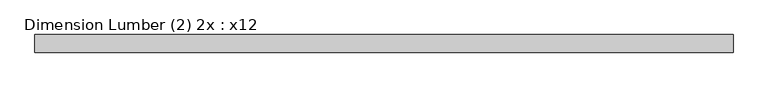
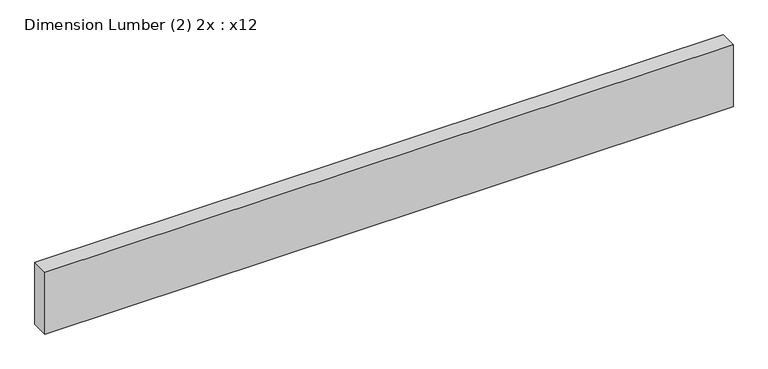
"""IFC4 building model written with IfcOpenShell, lengths in millimetres: beam geometry, Dimension Lumber (2) 2x : x12."""

import ifcopenshell
import ifcopenshell.guid

model = None  # the IFC model being written
_history = None  # IfcOwnerHistory: only IFC2X3 demands one
_inside = {}  # id of a spatial element -> (the spatial element, [elements in it])
_under = {}  # id of a project, library or spatial element -> (it, [spatial elements below it])
_declared = {}  # id of a project -> (the project, [libraries it declares])
_typed = {}  # id of a type object -> (the type object, [elements of that type])
_made_of = {}  # id of a material, layer set ... -> (it, [elements and type objects made of it])


def new_model(schema):
    """Start an empty IFC model of exactly this schema.

    Asked for "IFC4X3", IfcOpenShell would pick the latest addendum, in which some entities
    have other attributes; the version numbers below select the first issue.
    IFC2X3 requires an IfcOwnerHistory on every rooted entity: one is made here for all.
    """
    global model, _history
    if schema == "IFC4X3":
        model = ifcopenshell.file(schema_version=(4, 3, 0, 0))
    else:
        model = ifcopenshell.file(schema=schema)
    _inside.clear()
    _under.clear()
    _declared.clear()
    _typed.clear()
    _made_of.clear()
    _history = None
    if model.schema == "IFC2X3":
        org = make("IfcOrganization", Name="unknown")
        user = make(
            "IfcPersonAndOrganization",
            ThePerson=make("IfcPerson", FamilyName="unknown"),
            TheOrganization=org,
        )
        app = make(
            "IfcApplication",
            ApplicationDeveloper=org,
            Version="unknown",
            ApplicationFullName="unknown",
            ApplicationIdentifier="unknown",
        )
        _history = make(
            "IfcOwnerHistory",
            OwningUser=user,
            OwningApplication=app,
            ChangeAction="ADDED",
            CreationDate=0,
        )
    return model


def make(cls, **values):
    """One entity of the class cls with the attributes given. An attribute that is None is left unset."""
    return model.create_entity(
        cls, **{name: value for name, value in values.items() if value is not None}
    )


def rooted(cls, **values):
    """An entity with a GlobalId (a new one), such as an element, a storey or a relation."""
    return make(cls, GlobalId=ifcopenshell.guid.new(), OwnerHistory=_history, **values)


def si_unit(unit_type, name, prefix=None):
    """IfcSIUnit, for example si_unit("LENGTHUNIT", "METRE", prefix="MILLI")."""
    return make("IfcSIUnit", UnitType=unit_type, Prefix=prefix, Name=name)


def assignment(units):
    """IfcUnitAssignment: the units of a project."""
    return None if units is None else make("IfcUnitAssignment", Units=units)


def point(xyz):
    """IfcCartesianPoint."""
    return None if xyz is None else make("IfcCartesianPoint", Coordinates=xyz)


def direction(xyz):
    """IfcDirection."""
    return None if xyz is None else make("IfcDirection", DirectionRatios=xyz)


def frame(location, z_axis=None, x_axis=None):
    """IfcAxis2Placement3D, a coordinate frame: its origin and axes. An axis left out is left unset."""
    return make(
        "IfcAxis2Placement3D",
        Location=point(location),
        Axis=direction(z_axis),
        RefDirection=direction(x_axis),
    )


def origin():
    """The frame at (0, 0, 0) with its axes left unset."""
    return frame((0.0, 0.0, 0.0))


def place(relative_to, where):
    """IfcLocalPlacement: puts the frame where relative to a parent placement (None: the world)."""
    return make(
        "IfcLocalPlacement", PlacementRelTo=relative_to, RelativePlacement=where
    )


def context(
    kind, dimensions, precision=None, world=None, true_north=None, identifier=None
):
    """IfcGeometricRepresentationContext, for example the 3D "Model" context."""
    return make(
        "IfcGeometricRepresentationContext",
        ContextIdentifier=identifier,
        ContextType=kind,
        CoordinateSpaceDimension=dimensions,
        Precision=precision,
        WorldCoordinateSystem=world,
        TrueNorth=true_north,
    )


def project(units=None, contexts=None):
    """IfcProject with its units and contexts."""
    return rooted(
        "IfcProject",
        Name="project",
        RepresentationContexts=contexts,
        UnitsInContext=assignment(units),
    )


def spatial(cls, under=None, at=None, **own):
    """A site, building, storey or space (cls), placed at a placement, below another one or the project."""
    s = rooted(cls, ObjectPlacement=at, **own)
    if under is not None:
        _under.setdefault(under.id(), (under, []))[1].append(s)
    return s


def polyline(points):
    """IfcPolyline through the points."""
    return make("IfcPolyline", Points=[point(p) for p in points])


def outline(outer, holes=None, kind="AREA"):
    """IfcArbitraryClosedProfileDef: a profile drawn as a closed curve; with holes, ...WithVoids."""
    if holes is None:
        return make("IfcArbitraryClosedProfileDef", ProfileType=kind, OuterCurve=outer)
    return make(
        "IfcArbitraryProfileDefWithVoids",
        ProfileType=kind,
        OuterCurve=outer,
        InnerCurves=holes,
    )


def extrude(swept, where, along, depth):
    """IfcExtrudedAreaSolid: the profile swept, set in the frame where, extruded along a direction by depth."""
    return make(
        "IfcExtrudedAreaSolid",
        SweptArea=swept,
        Position=where,
        ExtrudedDirection=direction(along),
        Depth=depth,
    )


def shape(context_of_items, identifier, shape_type, items):
    """IfcShapeRepresentation: the items that make up one representation, for example the "Body"."""
    return make(
        "IfcShapeRepresentation",
        ContextOfItems=context_of_items,
        RepresentationIdentifier=identifier,
        RepresentationType=shape_type,
        Items=items,
    )


def source(mapping_origin, context_of_items, identifier, shape_type, items):
    """IfcRepresentationMap: a shape defined once, which mapped items show again and again."""
    return make(
        "IfcRepresentationMap",
        MappingOrigin=mapping_origin,
        MappedRepresentation=shape(context_of_items, identifier, shape_type, items),
    )


def transform(
    local_origin,
    x_axis=None,
    y_axis=None,
    z_axis=None,
    scale=None,
    scale2=None,
    scale3=None,
    uniform=True,
):
    """IfcCartesianTransformationOperator3D, or its non-uniform kind. x_axis, y_axis, z_axis: its Axis1, 2, 3."""
    if uniform:
        return make(
            "IfcCartesianTransformationOperator3D",
            Axis1=direction(x_axis),
            Axis2=direction(y_axis),
            LocalOrigin=point(local_origin),
            Scale=scale,
            Axis3=direction(z_axis),
        )
    return make(
        "IfcCartesianTransformationOperator3DnonUniform",
        Axis1=direction(x_axis),
        Axis2=direction(y_axis),
        LocalOrigin=point(local_origin),
        Scale=scale,
        Axis3=direction(z_axis),
        Scale2=scale2,
        Scale3=scale3,
    )


def mapped(mapping_source, mapping_target):
    """IfcMappedItem: shows the shape of a source again, moved by a transform."""
    return make(
        "IfcMappedItem", MappingSource=mapping_source, MappingTarget=mapping_target
    )


def made_of(thing, what):
    """Note that an element or type object is made of a material, layer set ...; save() writes the relation."""
    if what is not None:
        _made_of.setdefault(what.id(), (what, []))[1].append(thing)
    return thing


def element(
    cls,
    number,
    at=None,
    inside=None,
    cuts=None,
    type_object=None,
    material=None,
    context=None,
    identifier="Body",
    shape_type=None,
    held_by="IfcProductDefinitionShape",
    body=None,
    shapes=None,
    **own,
):
    """One element of the class cls, such as IfcWall. Its Tag is "e" and its number.

    at: its placement. inside: the storey or other place that contains it. cuts: it is an
    opening in that element (IfcRelVoidsElement). A single representation is given by context,
    identifier, shape_type and body (its items); several are given by shapes. held_by: the class
    of the entity that holds the representations. save() writes the other relations.
    """
    e = rooted(cls, Tag="e%d" % number, ObjectPlacement=at, **own)
    if body is not None:
        shapes = [shape(context, identifier, shape_type, body)]
    if shapes is not None:
        e.Representation = make(held_by, Representations=shapes)
    if inside is not None:
        _inside.setdefault(inside.id(), (inside, []))[1].append(e)
    if cuts is not None:
        rooted(
            "IfcRelVoidsElement", RelatingBuildingElement=cuts, RelatedOpeningElement=e
        )
    if type_object is not None:
        _typed.setdefault(type_object.id(), (type_object, []))[1].append(e)
    return made_of(e, material)


def aggregate(whole, parts):
    """IfcRelAggregates: a whole, such as a stair, and the parts it consists of."""
    return rooted("IfcRelAggregates", RelatingObject=whole, RelatedObjects=parts)


def save(model, path):
    """Write the relations noted so far, then the file.

    IfcRelAggregates (storeys below a building ...), IfcRelContainedInSpatialStructure (elements
    in a storey), IfcRelDefinesByType, IfcRelAssociatesMaterial and IfcRelDeclares: one each for
    every whole, place, type object, material and project.
    """
    for whole, parts in _under.values():
        aggregate(whole, parts)
    for where, things in _inside.values():
        rooted(
            "IfcRelContainedInSpatialStructure",
            RelatedElements=things,
            RelatingStructure=where,
        )
    for kind, things in _typed.values():
        rooted("IfcRelDefinesByType", RelatedObjects=things, RelatingType=kind)
    for what, things in _made_of.values():
        rooted("IfcRelAssociatesMaterial", RelatedObjects=things, RelatingMaterial=what)
    for by, libraries in _declared.values():
        rooted("IfcRelDeclares", RelatingContext=by, RelatedDefinitions=libraries)
    model.write(path)


def dimension_lumber_2_2x_x12_c137bb2d(model_context):
    return source(origin(), model_context, "Body", "SweptSolid", [
        extrude(outline(polyline([(1486.9287, 38.1), (1486.9287, -38.1), (-1525.0287, -38.1), (-1525.0287, 38.1), (1486.9287, 38.1)])), frame((0.0, 0.0, -142.875), z_axis=(0.0, 0.0, 1.0), x_axis=(1.0, 0.0, 0.0)), (0.0, 0.0, 1.0), 285.75),
    ])


if __name__ == "__main__":
    model = new_model("IFC4")
    model_context = context("Model", 3, world=origin())
    ifc_project = project(units=[si_unit("LENGTHUNIT", "METRE", prefix="MILLI")], contexts=[model_context])
    site = spatial("IfcSite", under=ifc_project)
    building = spatial("IfcBuilding", under=site)
    placement = place(None, origin())
    dimension_lumber_2_2x_x12_shape = dimension_lumber_2_2x_x12_c137bb2d(model_context)
    element("IfcBeam", 1, ObjectType="Dimension Lumber (2) 2x : x12", at=placement, inside=building, context=model_context, shape_type="MappedRepresentation", body=[
        mapped(dimension_lumber_2_2x_x12_shape, transform((0.0, 0.0, 0.0), x_axis=(1.0, 0.0, 0.0), y_axis=(0.0, 1.0, 0.0), z_axis=(0.0, 0.0, 1.0))),
    ])
    save(model, "model.ifc")
